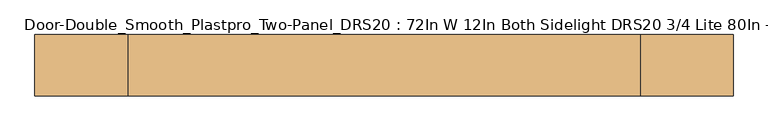
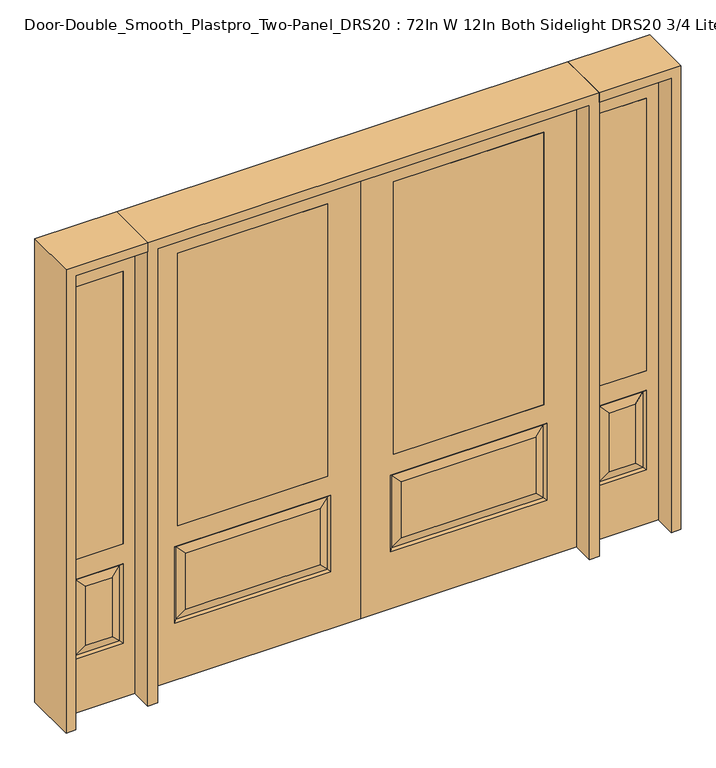
"""IFC4 building model written with IfcOpenShell, lengths in millimetres: door geometry, Door-Double_Smooth_Plastpro_Two-Panel_DRS20 : 72In W 12In Both Sidelight DRS20 3/4 Lite 80In - Smooth."""

from ifc_helpers import new_model, si_unit, frame, origin, place, context, project, spatial, polyline, outline, extrude, faceted_brep, source, transform, mapped, element, save


def door_double_smooth_plastpro_two_panel_drs20_72in_w_12in_both_f3213424(model_context):
    return source(origin(), model_context, "Body", "SolidModel", [
        extrude(outline(polyline([(-774.7, -20.6375), (-774.7, 20.6375), (-139.7, 20.6375), (-139.7, -20.6375), (-774.7, -20.6375)])), frame((0.0, 0.0, 685.8), z_axis=(0.0, 0.0, 1.0), x_axis=(1.0, 0.0, 0.0)), (0.0, 0.0, 1.0), 1219.2),
        faceted_brep([(-914.4, 20.6375, 0.0), (0.0, 20.6375, 0.0), (0.0, -20.6375, 0.0), (-914.4, -20.6375, 0.0), (-914.4, 20.6375, 2032.0), (-914.4, -20.6375, 2032.0), (0.0, -20.6375, 2032.0), (-787.4, -20.6375, 254.0), (-787.4, -20.6375, 596.9), (-127.0, -20.6375, 596.9), (-127.0, -20.6375, 254.0), (-139.7, -20.6375, 1905.0), (-139.7, -20.6375, 685.8), (-774.7, -20.6375, 685.8), (-774.7, -20.6375, 1905.0), (-173.0375, -20.6375, 300.0375), (-173.0375, -20.6375, 550.8625), (-741.3625, -20.6375, 550.8625), (-741.3625, -20.6375, 300.0375), (0.0, 20.6375, 2032.0), (-787.4, 20.6375, 596.9), (-787.4, 20.6375, 254.0), (-127.0, 20.6375, 254.0), (-127.0, 20.6375, 596.9), (-774.7, 20.6375, 1905.0), (-774.7, 20.6375, 685.8), (-139.7, 20.6375, 685.8), (-139.7, 20.6375, 1905.0), (-173.0375, 20.6375, 550.8625), (-173.0375, 20.6375, 300.0375), (-741.3625, 20.6375, 300.0375), (-741.3625, 20.6375, 550.8625), (-778.4197439, 11.6572439, 587.9197439), (-135.9802561, 11.6572439, 587.9197439), (-135.9802561, 11.6572439, 262.9802561), (-778.4197439, 11.6572439, 262.9802561), (-778.4197439, -11.6572439, 262.9802561), (-135.9802561, -11.6572439, 262.9802561), (-135.9802561, -11.6572439, 587.9197439), (-778.4197439, -11.6572439, 587.9197439)], [[[0, 1, 2, 3]], [[4, 0, 3, 5]], [[5, 3, 2, 6], [7, 8, 9, 10], [11, 12, 13, 14]], [[15, 16, 17, 18]], [[6, 2, 1, 19]], [[19, 1, 0, 4], [20, 21, 22, 23], [24, 25, 26, 27]], [[28, 29, 30, 31]], [[32, 20, 23, 33]], [[23, 22, 34, 33]], [[22, 21, 35, 34]], [[32, 35, 21, 20]], [[33, 28, 31, 32]], [[31, 30, 35, 32]], [[34, 35, 30, 29]], [[33, 34, 29, 28]], [[27, 26, 12, 11]], [[26, 25, 13, 12]], [[14, 13, 25, 24]], [[36, 7, 10, 37]], [[10, 9, 38, 37]], [[9, 8, 39, 38]], [[36, 39, 8, 7]], [[37, 15, 18, 36]], [[18, 17, 39, 36]], [[38, 39, 17, 16]], [[37, 38, 16, 15]], [[4, 5, 6, 19]], [[11, 14, 24, 27]]]),
        extrude(outline(polyline([(774.7, -20.6375), (139.7, -20.6375), (139.7, 20.6375), (774.7, 20.6375), (774.7, -20.6375)])), frame((0.0, 0.0, 685.8), z_axis=(0.0, 0.0, 1.0), x_axis=(1.0, 0.0, 0.0)), (0.0, 0.0, 1.0), 1219.2),
        faceted_brep([(914.4, 20.6375, 0.0), (914.4, -20.6375, 0.0), (0.0, -20.6375, 0.0), (0.0, 20.6375, 0.0), (914.4, 20.6375, 2032.0), (914.4, -20.6375, 2032.0), (173.0375, -20.6375, 300.0375), (741.3625, -20.6375, 300.0375), (741.3625, -20.6375, 550.8625), (173.0375, -20.6375, 550.8625), (0.0, -20.6375, 2032.0), (787.4, -20.6375, 254.0), (127.0, -20.6375, 254.0), (127.0, -20.6375, 596.9), (787.4, -20.6375, 596.9), (139.7, -20.6375, 1905.0), (774.7, -20.6375, 1905.0), (774.7, -20.6375, 685.8), (139.7, -20.6375, 685.8), (0.0, 20.6375, 2032.0), (173.0375, 20.6375, 550.8625), (741.3625, 20.6375, 550.8625), (741.3625, 20.6375, 300.0375), (173.0375, 20.6375, 300.0375), (787.4, 20.6375, 596.9), (127.0, 20.6375, 596.9), (127.0, 20.6375, 254.0), (787.4, 20.6375, 254.0), (774.7, 20.6375, 1905.0), (139.7, 20.6375, 1905.0), (139.7, 20.6375, 685.8), (774.7, 20.6375, 685.8), (778.4197439, 11.6572439, 587.9197439), (135.9802561, 11.6572439, 587.9197439), (135.9802561, 11.6572439, 262.9802561), (778.4197439, 11.6572439, 262.9802561), (778.4197439, -11.6572439, 262.9802561), (135.9802561, -11.6572439, 262.9802561), (135.9802561, -11.6572439, 587.9197439), (778.4197439, -11.6572439, 587.9197439)], [[[0, 1, 2, 3]], [[4, 5, 1, 0]], [[6, 7, 8, 9]], [[5, 10, 2, 1], [11, 12, 13, 14], [15, 16, 17, 18]], [[10, 19, 3, 2]], [[20, 21, 22, 23]], [[19, 4, 0, 3], [24, 25, 26, 27], [28, 29, 30, 31]], [[32, 33, 25, 24]], [[25, 33, 34, 26]], [[26, 34, 35, 27]], [[32, 24, 27, 35]], [[33, 32, 21, 20]], [[21, 32, 35, 22]], [[34, 23, 22, 35]], [[33, 20, 23, 34]], [[29, 15, 18, 30]], [[30, 18, 17, 31]], [[16, 28, 31, 17]], [[36, 37, 12, 11]], [[12, 37, 38, 13]], [[13, 38, 39, 14]], [[36, 11, 14, 39]], [[37, 36, 7, 6]], [[7, 36, 39, 8]], [[38, 9, 8, 39]], [[37, 6, 9, 38]], [[4, 19, 10, 5]], [[15, 29, 28, 16]]]),
        extrude(outline(polyline([(1006.475, -20.6375), (1006.475, 20.6375), (1209.675, 20.6375), (1209.675, -20.6375), (1006.475, -20.6375)])), frame((0.0, 0.0, 685.8), z_axis=(0.0, 0.0, 1.0), x_axis=(1.0, 0.0, 0.0)), (0.0, 0.0, 1.0), 1219.2),
        faceted_brep([(1260.475, -20.6375, 0.0), (1260.475, -20.6375, 2032.0), (955.675, -20.6375, 2032.0), (955.675, -20.6375, 0.0), (1006.475, -20.6375, 685.8), (1006.475, -20.6375, 1905.0), (1209.675, -20.6375, 1905.0), (1209.675, -20.6375, 685.8), (1006.475, -20.6375, 241.3), (1006.475, -20.6375, 596.9), (1209.675, -20.6375, 596.9), (1209.675, -20.6375, 241.3), (1163.6375, -20.6375, 287.3375), (1163.6375, -20.6375, 550.8625), (1052.5125, -20.6375, 550.8625), (1052.5125, -20.6375, 287.3375), (955.675, 20.6375, 0.0), (1260.475, 20.6375, 0.0), (955.675, 20.6375, 2032.0), (1260.475, 20.6375, 2032.0), (1015.4552561, -11.6572439, 250.2802561), (1200.6947439, -11.6572439, 250.2802561), (1200.6947439, -11.6572439, 587.9197439), (1015.4552561, -11.6572439, 587.9197439), (1209.675, 20.6375, 685.8), (1006.475, 20.6375, 685.8), (1209.675, 20.6375, 1905.0), (1006.475, 20.6375, 1905.0), (1209.675, 20.6375, 241.3), (1209.675, 20.6375, 596.9), (1006.475, 20.6375, 596.9), (1006.475, 20.6375, 241.3), (1052.5125, 20.6375, 287.3375), (1052.5125, 20.6375, 550.8625), (1163.6375, 20.6375, 550.8625), (1163.6375, 20.6375, 287.3375), (1015.4552561, 11.6572439, 250.2802561), (1200.6947439, 11.6572439, 250.2802561), (1015.4552561, 11.6572439, 587.9197439), (1200.6947439, 11.6572439, 587.9197439)], [[[0, 1, 2, 3], [4, 5, 6, 7], [8, 9, 10, 11]], [[12, 13, 14, 15]], [[3, 16, 17, 0]], [[2, 18, 16, 3]], [[0, 17, 19, 1]], [[20, 8, 11, 21]], [[11, 10, 22, 21]], [[10, 9, 23, 22]], [[20, 23, 9, 8]], [[21, 12, 15, 20]], [[15, 14, 23, 20]], [[22, 23, 14, 13]], [[21, 22, 13, 12]], [[4, 7, 24, 25]], [[7, 6, 26, 24]], [[25, 27, 5, 4]], [[17, 16, 18, 19], [24, 26, 27, 25], [28, 29, 30, 31]], [[32, 33, 34, 35]], [[28, 31, 36, 37]], [[31, 30, 38, 36]], [[39, 38, 30, 29]], [[37, 39, 29, 28]], [[36, 32, 35, 37]], [[35, 34, 39, 37]], [[34, 33, 38, 39]], [[36, 38, 33, 32]], [[1, 19, 18, 2]], [[27, 26, 6, 5]]]),
        extrude(outline(polyline([(-1006.475, -20.6375), (-1209.675, -20.6375), (-1209.675, 20.6375), (-1006.475, 20.6375), (-1006.475, -20.6375)])), frame((0.0, 0.0, 685.8), z_axis=(0.0, 0.0, 1.0), x_axis=(1.0, 0.0, 0.0)), (0.0, 0.0, 1.0), 1219.2),
        faceted_brep([(-1260.475, -20.6375, 0.0), (-955.675, -20.6375, 0.0), (-955.675, -20.6375, 2032.0), (-1260.475, -20.6375, 2032.0), (-1006.475, -20.6375, 685.8), (-1209.675, -20.6375, 685.8), (-1209.675, -20.6375, 1905.0), (-1006.475, -20.6375, 1905.0), (-1006.475, -20.6375, 241.3), (-1209.675, -20.6375, 241.3), (-1209.675, -20.6375, 596.9), (-1006.475, -20.6375, 596.9), (-1163.6375, -20.6375, 287.3375), (-1052.5125, -20.6375, 287.3375), (-1052.5125, -20.6375, 550.8625), (-1163.6375, -20.6375, 550.8625), (-1260.475, 20.6375, 0.0), (-955.675, 20.6375, 0.0), (-955.675, 20.6375, 2032.0), (-1260.475, 20.6375, 2032.0), (-1015.4552561, -11.6572439, 250.2802561), (-1200.6947439, -11.6572439, 250.2802561), (-1200.6947439, -11.6572439, 587.9197439), (-1015.4552561, -11.6572439, 587.9197439), (-1006.475, 20.6375, 685.8), (-1209.675, 20.6375, 685.8), (-1209.675, 20.6375, 1905.0), (-1006.475, 20.6375, 1905.0), (-1209.675, 20.6375, 241.3), (-1006.475, 20.6375, 241.3), (-1006.475, 20.6375, 596.9), (-1209.675, 20.6375, 596.9), (-1052.5125, 20.6375, 287.3375), (-1163.6375, 20.6375, 287.3375), (-1163.6375, 20.6375, 550.8625), (-1052.5125, 20.6375, 550.8625), (-1200.6947439, 11.6572439, 250.2802561), (-1015.4552561, 11.6572439, 250.2802561), (-1015.4552561, 11.6572439, 587.9197439), (-1200.6947439, 11.6572439, 587.9197439)], [[[0, 1, 2, 3], [4, 5, 6, 7], [8, 9, 10, 11]], [[12, 13, 14, 15]], [[1, 0, 16, 17]], [[2, 1, 17, 18]], [[0, 3, 19, 16]], [[20, 21, 9, 8]], [[9, 21, 22, 10]], [[10, 22, 23, 11]], [[20, 8, 11, 23]], [[21, 20, 13, 12]], [[13, 20, 23, 14]], [[22, 15, 14, 23]], [[21, 12, 15, 22]], [[4, 24, 25, 5]], [[5, 25, 26, 6]], [[24, 4, 7, 27]], [[16, 19, 18, 17], [25, 24, 27, 26], [28, 29, 30, 31]], [[32, 33, 34, 35]], [[28, 36, 37, 29]], [[29, 37, 38, 30]], [[39, 31, 30, 38]], [[36, 28, 31, 39]], [[37, 36, 33, 32]], [[33, 36, 39, 34]], [[34, 39, 38, 35]], [[37, 32, 35, 38]], [[3, 2, 18, 19]], [[27, 7, 6, 26]]]),
        extrude(outline(polyline([(2032.0, -955.675), (2073.275, -955.675), (2073.275, -1301.75), (0.0, -1301.75), (0.0, -1260.475), (2032.0, -1260.475), (2032.0, -955.675)])), frame((0.0, -114.3, 0.0), z_axis=(0.0, 1.0, 0.0), x_axis=(0.0, 0.0, 1.0)), (0.0, 0.0, 1.0), 228.6),
        extrude(outline(polyline([(2073.275, -955.675), (0.0, -955.675), (0.0, -914.4), (2032.0, -914.4), (2032.0, 914.4), (0.0, 914.4), (0.0, 955.675), (2073.275, 955.675), (2073.275, -955.675)])), frame((0.0, -114.3, 0.0), z_axis=(0.0, 1.0, 0.0), x_axis=(0.0, 0.0, 1.0)), (0.0, 0.0, 1.0), 228.6),
        extrude(outline(polyline([(0.0, 1260.475), (0.0, 1301.75), (2073.275, 1301.75), (2073.275, 955.675), (2032.0, 955.675), (2032.0, 1260.475), (0.0, 1260.475)])), frame((0.0, -114.3, 0.0), z_axis=(0.0, 1.0, 0.0), x_axis=(0.0, 0.0, 1.0)), (0.0, 0.0, 1.0), 228.6),
    ])


if __name__ == "__main__":
    model = new_model("IFC4")
    model_context = context("Model", 3, world=origin())
    ifc_project = project(units=[si_unit("LENGTHUNIT", "METRE", prefix="MILLI")], contexts=[model_context])
    site = spatial("IfcSite", under=ifc_project)
    building = spatial("IfcBuilding", under=site)
    placement = place(None, origin())
    door_double_smooth_plastpro_two_panel_drs20_72in_w_12in_both_shape = door_double_smooth_plastpro_two_panel_drs20_72in_w_12in_both_f3213424(model_context)
    element("IfcDoor", 1, ObjectType="Door-Double_Smooth_Plastpro_Two-Panel_DRS20 : 72In W 12In Both Sidelight DRS20 3/4 Lite 80In - Smooth", at=placement, inside=building, context=model_context, shape_type="MappedRepresentation", body=[
        mapped(door_double_smooth_plastpro_two_panel_drs20_72in_w_12in_both_shape, transform((0.0, 0.0, 0.0), x_axis=(1.0, 0.0, 0.0), y_axis=(0.0, 1.0, 0.0), z_axis=(0.0, 0.0, 1.0))),
    ])
    save(model, "model.ifc")
